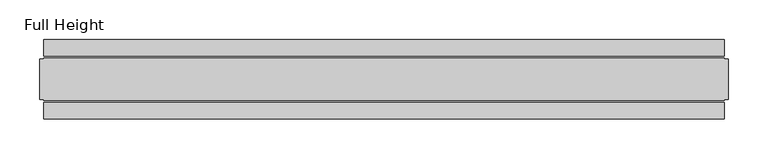
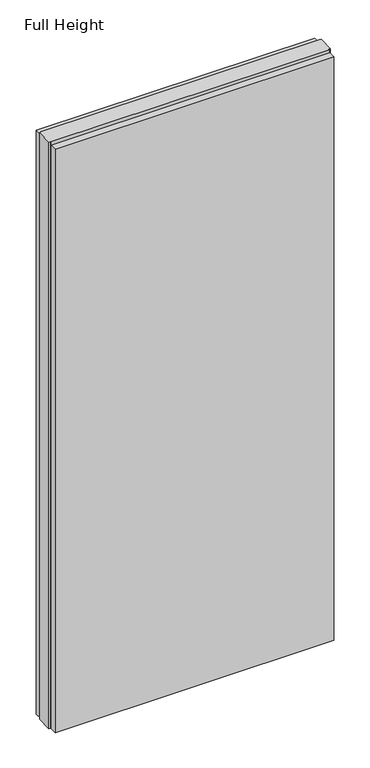
"""IFC4 building model written with IfcOpenShell, lengths in millimetres: plate geometry, Full Height."""

import ifcopenshell
import ifcopenshell.guid

model = None  # the IFC model being written
_history = None  # IfcOwnerHistory: only IFC2X3 demands one
_inside = {}  # id of a spatial element -> (the spatial element, [elements in it])
_under = {}  # id of a project, library or spatial element -> (it, [spatial elements below it])
_declared = {}  # id of a project -> (the project, [libraries it declares])
_typed = {}  # id of a type object -> (the type object, [elements of that type])
_made_of = {}  # id of a material, layer set ... -> (it, [elements and type objects made of it])


def new_model(schema):
    """Start an empty IFC model of exactly this schema.

    Asked for "IFC4X3", IfcOpenShell would pick the latest addendum, in which some entities
    have other attributes; the version numbers below select the first issue.
    IFC2X3 requires an IfcOwnerHistory on every rooted entity: one is made here for all.
    """
    global model, _history
    if schema == "IFC4X3":
        model = ifcopenshell.file(schema_version=(4, 3, 0, 0))
    else:
        model = ifcopenshell.file(schema=schema)
    _inside.clear()
    _under.clear()
    _declared.clear()
    _typed.clear()
    _made_of.clear()
    _history = None
    if model.schema == "IFC2X3":
        org = make("IfcOrganization", Name="unknown")
        user = make(
            "IfcPersonAndOrganization",
            ThePerson=make("IfcPerson", FamilyName="unknown"),
            TheOrganization=org,
        )
        app = make(
            "IfcApplication",
            ApplicationDeveloper=org,
            Version="unknown",
            ApplicationFullName="unknown",
            ApplicationIdentifier="unknown",
        )
        _history = make(
            "IfcOwnerHistory",
            OwningUser=user,
            OwningApplication=app,
            ChangeAction="ADDED",
            CreationDate=0,
        )
    return model


def make(cls, **values):
    """One entity of the class cls with the attributes given. An attribute that is None is left unset."""
    return model.create_entity(
        cls, **{name: value for name, value in values.items() if value is not None}
    )


def rooted(cls, **values):
    """An entity with a GlobalId (a new one), such as an element, a storey or a relation."""
    return make(cls, GlobalId=ifcopenshell.guid.new(), OwnerHistory=_history, **values)


def si_unit(unit_type, name, prefix=None):
    """IfcSIUnit, for example si_unit("LENGTHUNIT", "METRE", prefix="MILLI")."""
    return make("IfcSIUnit", UnitType=unit_type, Prefix=prefix, Name=name)


def assignment(units):
    """IfcUnitAssignment: the units of a project."""
    return None if units is None else make("IfcUnitAssignment", Units=units)


def point(xyz):
    """IfcCartesianPoint."""
    return None if xyz is None else make("IfcCartesianPoint", Coordinates=xyz)


def direction(xyz):
    """IfcDirection."""
    return None if xyz is None else make("IfcDirection", DirectionRatios=xyz)


def frame(location, z_axis=None, x_axis=None):
    """IfcAxis2Placement3D, a coordinate frame: its origin and axes. An axis left out is left unset."""
    return make(
        "IfcAxis2Placement3D",
        Location=point(location),
        Axis=direction(z_axis),
        RefDirection=direction(x_axis),
    )


def origin():
    """The frame at (0, 0, 0) with its axes left unset."""
    return frame((0.0, 0.0, 0.0))


def origin_with_axes():
    """The frame at (0, 0, 0) with the z axis (0, 0, 1) and the x axis (1, 0, 0) written out."""
    return frame((0.0, 0.0, 0.0), z_axis=(0.0, 0.0, 1.0), x_axis=(1.0, 0.0, 0.0))


def place(relative_to, where):
    """IfcLocalPlacement: puts the frame where relative to a parent placement (None: the world)."""
    return make(
        "IfcLocalPlacement", PlacementRelTo=relative_to, RelativePlacement=where
    )


def context(
    kind, dimensions, precision=None, world=None, true_north=None, identifier=None
):
    """IfcGeometricRepresentationContext, for example the 3D "Model" context."""
    return make(
        "IfcGeometricRepresentationContext",
        ContextIdentifier=identifier,
        ContextType=kind,
        CoordinateSpaceDimension=dimensions,
        Precision=precision,
        WorldCoordinateSystem=world,
        TrueNorth=true_north,
    )


def project(units=None, contexts=None):
    """IfcProject with its units and contexts."""
    return rooted(
        "IfcProject",
        Name="project",
        RepresentationContexts=contexts,
        UnitsInContext=assignment(units),
    )


def spatial(cls, under=None, at=None, **own):
    """A site, building, storey or space (cls), placed at a placement, below another one or the project."""
    s = rooted(cls, ObjectPlacement=at, **own)
    if under is not None:
        _under.setdefault(under.id(), (under, []))[1].append(s)
    return s


def polyline(points):
    """IfcPolyline through the points."""
    return make("IfcPolyline", Points=[point(p) for p in points])


def outline(outer, holes=None, kind="AREA"):
    """IfcArbitraryClosedProfileDef: a profile drawn as a closed curve; with holes, ...WithVoids."""
    if holes is None:
        return make("IfcArbitraryClosedProfileDef", ProfileType=kind, OuterCurve=outer)
    return make(
        "IfcArbitraryProfileDefWithVoids",
        ProfileType=kind,
        OuterCurve=outer,
        InnerCurves=holes,
    )


def extrude(swept, where, along, depth):
    """IfcExtrudedAreaSolid: the profile swept, set in the frame where, extruded along a direction by depth."""
    return make(
        "IfcExtrudedAreaSolid",
        SweptArea=swept,
        Position=where,
        ExtrudedDirection=direction(along),
        Depth=depth,
    )


def shape(context_of_items, identifier, shape_type, items):
    """IfcShapeRepresentation: the items that make up one representation, for example the "Body"."""
    return make(
        "IfcShapeRepresentation",
        ContextOfItems=context_of_items,
        RepresentationIdentifier=identifier,
        RepresentationType=shape_type,
        Items=items,
    )


def source(mapping_origin, context_of_items, identifier, shape_type, items):
    """IfcRepresentationMap: a shape defined once, which mapped items show again and again."""
    return make(
        "IfcRepresentationMap",
        MappingOrigin=mapping_origin,
        MappedRepresentation=shape(context_of_items, identifier, shape_type, items),
    )


def transform(
    local_origin,
    x_axis=None,
    y_axis=None,
    z_axis=None,
    scale=None,
    scale2=None,
    scale3=None,
    uniform=True,
):
    """IfcCartesianTransformationOperator3D, or its non-uniform kind. x_axis, y_axis, z_axis: its Axis1, 2, 3."""
    if uniform:
        return make(
            "IfcCartesianTransformationOperator3D",
            Axis1=direction(x_axis),
            Axis2=direction(y_axis),
            LocalOrigin=point(local_origin),
            Scale=scale,
            Axis3=direction(z_axis),
        )
    return make(
        "IfcCartesianTransformationOperator3DnonUniform",
        Axis1=direction(x_axis),
        Axis2=direction(y_axis),
        LocalOrigin=point(local_origin),
        Scale=scale,
        Axis3=direction(z_axis),
        Scale2=scale2,
        Scale3=scale3,
    )


def mapped(mapping_source, mapping_target):
    """IfcMappedItem: shows the shape of a source again, moved by a transform."""
    return make(
        "IfcMappedItem", MappingSource=mapping_source, MappingTarget=mapping_target
    )


def made_of(thing, what):
    """Note that an element or type object is made of a material, layer set ...; save() writes the relation."""
    if what is not None:
        _made_of.setdefault(what.id(), (what, []))[1].append(thing)
    return thing


def element(
    cls,
    number,
    at=None,
    inside=None,
    cuts=None,
    type_object=None,
    material=None,
    context=None,
    identifier="Body",
    shape_type=None,
    held_by="IfcProductDefinitionShape",
    body=None,
    shapes=None,
    **own,
):
    """One element of the class cls, such as IfcWall. Its Tag is "e" and its number.

    at: its placement. inside: the storey or other place that contains it. cuts: it is an
    opening in that element (IfcRelVoidsElement). A single representation is given by context,
    identifier, shape_type and body (its items); several are given by shapes. held_by: the class
    of the entity that holds the representations. save() writes the other relations.
    """
    e = rooted(cls, Tag="e%d" % number, ObjectPlacement=at, **own)
    if body is not None:
        shapes = [shape(context, identifier, shape_type, body)]
    if shapes is not None:
        e.Representation = make(held_by, Representations=shapes)
    if inside is not None:
        _inside.setdefault(inside.id(), (inside, []))[1].append(e)
    if cuts is not None:
        rooted(
            "IfcRelVoidsElement", RelatingBuildingElement=cuts, RelatedOpeningElement=e
        )
    if type_object is not None:
        _typed.setdefault(type_object.id(), (type_object, []))[1].append(e)
    return made_of(e, material)


def aggregate(whole, parts):
    """IfcRelAggregates: a whole, such as a stair, and the parts it consists of."""
    return rooted("IfcRelAggregates", RelatingObject=whole, RelatedObjects=parts)


def save(model, path):
    """Write the relations noted so far, then the file.

    IfcRelAggregates (storeys below a building ...), IfcRelContainedInSpatialStructure (elements
    in a storey), IfcRelDefinesByType, IfcRelAssociatesMaterial and IfcRelDeclares: one each for
    every whole, place, type object, material and project.
    """
    for whole, parts in _under.values():
        aggregate(whole, parts)
    for where, things in _inside.values():
        rooted(
            "IfcRelContainedInSpatialStructure",
            RelatedElements=things,
            RelatingStructure=where,
        )
    for kind, things in _typed.values():
        rooted("IfcRelDefinesByType", RelatedObjects=things, RelatingType=kind)
    for what, things in _made_of.values():
        rooted("IfcRelAssociatesMaterial", RelatedObjects=things, RelatingMaterial=what)
    for by, libraries in _declared.values():
        rooted("IfcRelDeclares", RelatingContext=by, RelatedDefinitions=libraries)
    model.write(path)


def full_height_2ee4351a(model_context):
    return source(origin(), model_context, "Body", "SweptSolid", [
        extrude(outline(polyline([(426.4172658, -28.956), (426.4172658, -49.53), (-426.4172658, -49.53), (-426.4172658, -28.956), (426.4172658, -28.956)])), origin_with_axes(), (0.0, 0.0, 1.0), 1889.252),
        extrude(outline(polyline([(426.4172658, 28.956), (-426.4172658, 28.956), (-426.4172658, 49.53), (426.4172658, 49.53), (426.4172658, 28.956)])), origin_with_axes(), (0.0, 0.0, 1.0), 1889.252),
        extrude(outline(polyline([(426.4172658, 25.146), (430.9892658, 25.146), (430.9892658, -25.146), (426.4172658, -25.146), (426.4172658, -26.67), (-426.4172658, -26.67), (-426.4172658, -25.146), (-430.9892658, -25.146), (-430.9892658, 25.146), (-426.4172658, 25.146), (-426.4172658, 26.67), (426.4172658, 26.67), (426.4172658, 25.146)])), origin_with_axes(), (0.0, 0.0, 1.0), 1898.396),
    ])


if __name__ == "__main__":
    model = new_model("IFC4")
    model_context = context("Model", 3, world=origin())
    ifc_project = project(units=[si_unit("LENGTHUNIT", "METRE", prefix="MILLI")], contexts=[model_context])
    site = spatial("IfcSite", under=ifc_project)
    building = spatial("IfcBuilding", under=site)
    placement = place(None, origin())
    full_height_shape = full_height_2ee4351a(model_context)
    element("IfcPlate", 1, ObjectType="Full Height", at=placement, inside=building, context=model_context, shape_type="MappedRepresentation", body=[
        mapped(full_height_shape, transform((0.0, 0.0, 0.0), x_axis=(1.0, 0.0, 0.0), y_axis=(0.0, 1.0, 0.0), z_axis=(0.0, 0.0, 1.0))),
    ])
    save(model, "model.ifc")
